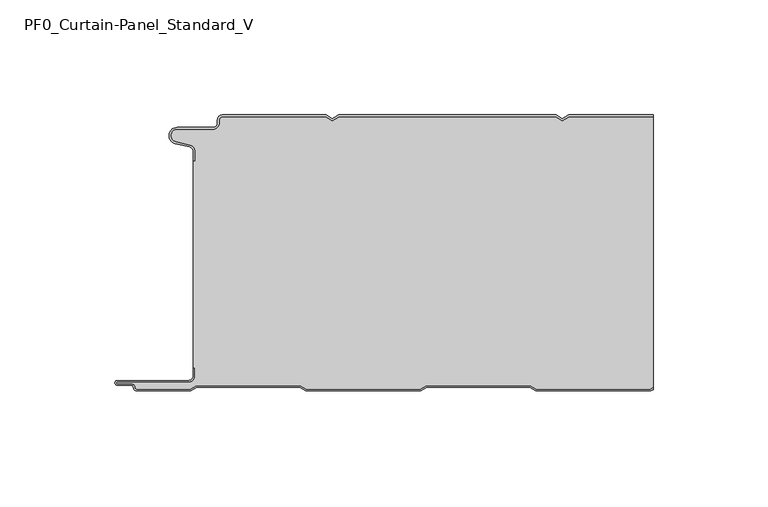
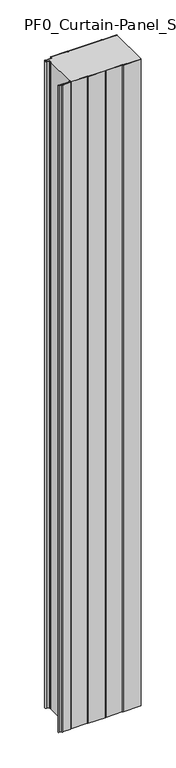
"""IFC4 building model written with IfcOpenShell, lengths in millimetres: plate geometry, PF0_Curtain-Panel_Standard_V."""

from ifc_helpers import new_model, si_unit, point, frame_2d, origin, origin_with_axes, place, context, project, spatial, polyline, circle_curve, trimmed, segment, composite_curve, outline, extrude, source, transform, mapped, element, save


def pf0_curtain_panel_standard_v_08b09da9(model_context):
    return source(origin(), model_context, "Body", "SweptSolid", [
        extrude(outline(composite_curve([segment(trimmed(circle_curve(frame_2d((-102.0119739, -15.878557)), 2.0), [point((-100.0119739, -15.878557))], [point((-101.5620718, -13.9298169))], True, "CARTESIAN"), True, "CONTINUOUS"), segment(polyline([(-101.5620718, -13.9298169), (-107.7217978, -12.507732)]), True, "CONTINUOUS"), segment(trimmed(circle_curve(frame_2d((-106.9119739, -9.0)), 3.6), [point((-107.7217978, -12.507732))], [point((-106.9119739, -5.4))], False, "CARTESIAN"), True, "CONTINUOUS"), segment(polyline([(-106.9119739, -5.4), (-91.4119739, -5.4)]), True, "CONTINUOUS"), segment(trimmed(circle_curve(frame_2d((-91.4119739, -3.4)), 2.0), [point((-91.4119739, -5.4))], [point((-89.4119739, -3.4))], True, "CARTESIAN"), True, "CONTINUOUS"), segment(polyline([(-89.4119739, -3.4), (-89.4119739, -2.0)]), True, "CONTINUOUS"), segment(trimmed(circle_curve(frame_2d((-87.4119739, -2.0)), 2.0), [point((-89.4119739, -2.0))], [point((-87.4119739, 0.0))], False, "CARTESIAN"), True, "CONTINUOUS"), segment(polyline([(-87.4119739, 0.0), (-42.1119734, 0.0), (-39.4119739, -1.5588455), (-36.7119745, 0.0), (57.8880266, 0.0), (60.5880261, -1.5588455), (63.2880255, 0.0), (100.0119739, 0.0), (100.0119739, -0.8), (63.5023849, -0.8), (60.5880261, -2.482606), (57.6736672, -0.8), (-36.4976151, -0.8), (-39.4119739, -2.482606), (-42.3263328, -0.8), (-87.4119739, -0.8)]), True, "CONTINUOUS"), segment(trimmed(circle_curve(frame_2d((-87.4119739, -2.0)), 1.2), [point((-87.4119739, -0.8))], [point((-88.6119739, -2.0))], True, "CARTESIAN"), True, "CONTINUOUS"), segment(polyline([(-88.6119739, -2.0), (-88.6119739, -3.4)]), True, "CONTINUOUS"), segment(trimmed(circle_curve(frame_2d((-91.4119739, -3.4)), 2.8), [point((-88.6119739, -3.4))], [point((-91.4119739, -6.2))], False, "CARTESIAN"), True, "CONTINUOUS"), segment(polyline([(-91.4119739, -6.2), (-106.9119739, -6.2)]), True, "CONTINUOUS"), segment(trimmed(circle_curve(frame_2d((-106.9119739, -9.0)), 2.8), [point((-106.9119739, -6.2))], [point((-107.541837, -11.7282362))], True, "CARTESIAN"), True, "CONTINUOUS"), segment(polyline([(-107.541837, -11.7282362), (-101.3821109, -13.150321)]), True, "CONTINUOUS"), segment(trimmed(circle_curve(frame_2d((-102.0119739, -15.878557)), 2.8), [point((-101.3821109, -13.150321))], [point((-99.2119739, -15.878557))], False, "CARTESIAN"), True, "CONTINUOUS"), segment(polyline([(-99.2119739, -15.878557), (-99.2119739, -20.0), (-100.0119739, -20.0), (-100.0119739, -15.878557)]), True, "CONTINUOUS")], self_intersect=False)), origin_with_axes(), (0.0, 0.0, 1.0), 1945.7507136),
        extrude(outline(composite_curve([segment(polyline([(-99.2119739, -110.0), (-100.0119739, -110.0), (-100.0119739, -20.0), (-99.2119739, -20.0), (-99.2119739, -15.878557)]), True, "CONTINUOUS"), segment(trimmed(circle_curve(frame_2d((-102.0119739, -15.878557)), 2.8), [point((-99.2119739, -15.878557))], [point((-101.3821109, -13.1503208))], True, "CARTESIAN"), True, "CONTINUOUS"), segment(polyline([(-101.3821109, -13.1503208), (-107.5418369, -11.7282362)]), True, "CONTINUOUS"), segment(trimmed(circle_curve(frame_2d((-106.9119739, -9.0)), 2.8), [point((-107.5418369, -11.7282362))], [point((-106.9119739, -6.2))], False, "CARTESIAN"), True, "CONTINUOUS"), segment(polyline([(-106.9119739, -6.2), (-91.4119739, -6.2)]), True, "CONTINUOUS"), segment(trimmed(circle_curve(frame_2d((-91.4119739, -3.4)), 2.8), [point((-91.4119739, -6.2))], [point((-88.6119739, -3.4))], True, "CARTESIAN"), True, "CONTINUOUS"), segment(polyline([(-88.6119739, -3.4), (-88.6119739, -2.0)]), True, "CONTINUOUS"), segment(trimmed(circle_curve(frame_2d((-87.4119739, -2.0)), 1.2), [point((-88.6119739, -2.0))], [point((-87.4119739, -0.8))], False, "CARTESIAN"), True, "CONTINUOUS"), segment(polyline([(-87.4119739, -0.8), (-42.3263328, -0.8), (-39.4119739, -2.482606), (-36.4976151, -0.8), (57.6736672, -0.8), (60.5880261, -2.482606), (63.5023849, -0.8), (100.0119739, -0.8), (100.0119739, -118.4878024), (98.7784109, -119.2), (49.2032822, -119.2), (46.6052046, -117.7), (1.3764885, -117.7), (-1.2215891, -119.2), (-50.7967178, -119.2), (-53.3947954, -117.7), (-98.6235115, -117.7), (-101.2215891, -119.2), (-124.4119739, -119.2)]), True, "CONTINUOUS"), segment(trimmed(circle_curve(frame_2d((-124.4119739, -118.4)), 0.8), [point((-124.4119739, -119.2))], [point((-125.2119739, -118.4))], False, "CARTESIAN"), True, "CONTINUOUS"), segment(trimmed(circle_curve(frame_2d((-126.9119739, -118.6133333)), 1.7133333), [point((-125.2119739, -118.4))], [point((-126.9119739, -116.9))], True, "CARTESIAN"), True, "CONTINUOUS"), segment(polyline([(-126.9119739, -116.9), (-132.8820051, -116.9)]), True, "CONTINUOUS"), segment(trimmed(circle_curve(frame_2d((-132.8820051, -116.6)), 0.3), [point((-132.8820051, -116.9))], [point((-132.8820051, -116.3))], False, "CARTESIAN"), True, "CONTINUOUS"), segment(polyline([(-132.8820051, -116.3), (-102.0119739, -116.3)]), True, "CONTINUOUS"), segment(trimmed(circle_curve(frame_2d((-102.0119739, -113.5)), 2.8), [point((-102.0119739, -116.3))], [point((-99.2119739, -113.5))], True, "CARTESIAN"), True, "CONTINUOUS"), segment(polyline([(-99.2119739, -113.5), (-99.2119739, -110.0)]), True, "CONTINUOUS")], self_intersect=False)), origin_with_axes(), (0.0, 0.0, 1.0), 1945.7507136),
        extrude(outline(composite_curve([segment(polyline([(-100.0119739, -110.0), (-99.2119739, -110.0), (-99.2119739, -113.5)]), True, "CONTINUOUS"), segment(trimmed(circle_curve(frame_2d((-102.0119739, -113.5)), 2.8), [point((-99.2119739, -113.5))], [point((-102.0119739, -116.3))], False, "CARTESIAN"), True, "CONTINUOUS"), segment(polyline([(-102.0119739, -116.3), (-132.8820051, -116.3)]), True, "CONTINUOUS"), segment(trimmed(circle_curve(frame_2d((-132.8820051, -116.6)), 0.3), [point((-132.8820051, -116.3))], [point((-132.8820051, -116.9))], True, "CARTESIAN"), True, "CONTINUOUS"), segment(polyline([(-132.8820051, -116.9), (-126.9119739, -116.9)]), True, "CONTINUOUS"), segment(trimmed(circle_curve(frame_2d((-126.9119739, -118.6133333)), 1.7133333), [point((-126.9119739, -116.9))], [point((-125.2119739, -118.4))], False, "CARTESIAN"), True, "CONTINUOUS"), segment(trimmed(circle_curve(frame_2d((-124.4119739, -118.4)), 0.8), [point((-125.2119739, -118.4))], [point((-124.4119739, -119.2))], True, "CARTESIAN"), True, "CONTINUOUS"), segment(polyline([(-124.4119739, -119.2), (-101.2215891, -119.2), (-98.6235115, -117.7), (-53.3947954, -117.7), (-50.7967178, -119.2), (-1.2215891, -119.2), (1.3764885, -117.7), (46.6052046, -117.7), (49.2032822, -119.2), (98.7784109, -119.2), (100.0119739, -118.4878024), (100.0119739, -119.4115627), (98.9927701, -120.0), (48.988923, -120.0), (46.3908454, -118.5), (1.5908477, -118.5), (-1.0072299, -120.0), (-51.011077, -120.0), (-53.6091546, -118.5), (-98.4091523, -118.5), (-101.0072299, -120.0), (-124.4119739, -120.0)]), True, "CONTINUOUS"), segment(trimmed(circle_curve(frame_2d((-124.4119739, -118.4)), 1.6), [point((-124.4119739, -120.0))], [point((-126.0119739, -118.4))], False, "CARTESIAN"), True, "CONTINUOUS"), segment(trimmed(circle_curve(frame_2d((-126.9119739, -118.4)), 0.9), [point((-126.0119739, -118.4))], [point((-126.9119739, -117.5))], True, "CARTESIAN"), True, "CONTINUOUS"), segment(polyline([(-126.9119739, -117.5), (-133.0119739, -117.5)]), True, "CONTINUOUS"), segment(trimmed(circle_curve(frame_2d((-133.0119739, -116.5)), 1.0), [point((-133.0119739, -117.5))], [point((-133.0119739, -115.5))], False, "CARTESIAN"), True, "CONTINUOUS"), segment(polyline([(-133.0119739, -115.5), (-102.0119739, -115.5)]), True, "CONTINUOUS"), segment(trimmed(circle_curve(frame_2d((-102.0119739, -113.5)), 2.0), [point((-102.0119739, -115.5))], [point((-100.0119739, -113.5))], True, "CARTESIAN"), True, "CONTINUOUS"), segment(polyline([(-100.0119739, -113.5), (-100.0119739, -110.0)]), True, "CONTINUOUS")], self_intersect=False)), origin_with_axes(), (0.0, 0.0, 1.0), 1945.7507136),
    ])


if __name__ == "__main__":
    model = new_model("IFC4")
    model_context = context("Model", 3, world=origin())
    ifc_project = project(units=[si_unit("LENGTHUNIT", "METRE", prefix="MILLI")], contexts=[model_context])
    site = spatial("IfcSite", under=ifc_project)
    building = spatial("IfcBuilding", under=site)
    placement = place(None, origin())
    pf0_curtain_panel_standard_v_shape = pf0_curtain_panel_standard_v_08b09da9(model_context)
    element("IfcPlate", 1, ObjectType="PF0_Curtain-Panel_Standard_V", at=placement, inside=building, context=model_context, shape_type="MappedRepresentation", body=[
        mapped(pf0_curtain_panel_standard_v_shape, transform((0.0, 0.0, 0.0), x_axis=(1.0, 0.0, 0.0), y_axis=(0.0, 1.0, 0.0), z_axis=(0.0, 0.0, 1.0))),
    ])
    save(model, "model.ifc")
